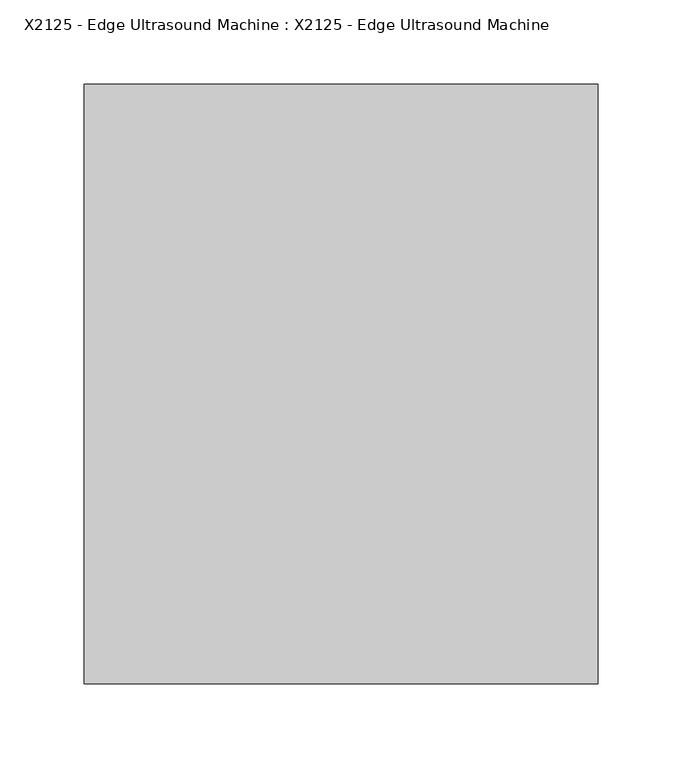
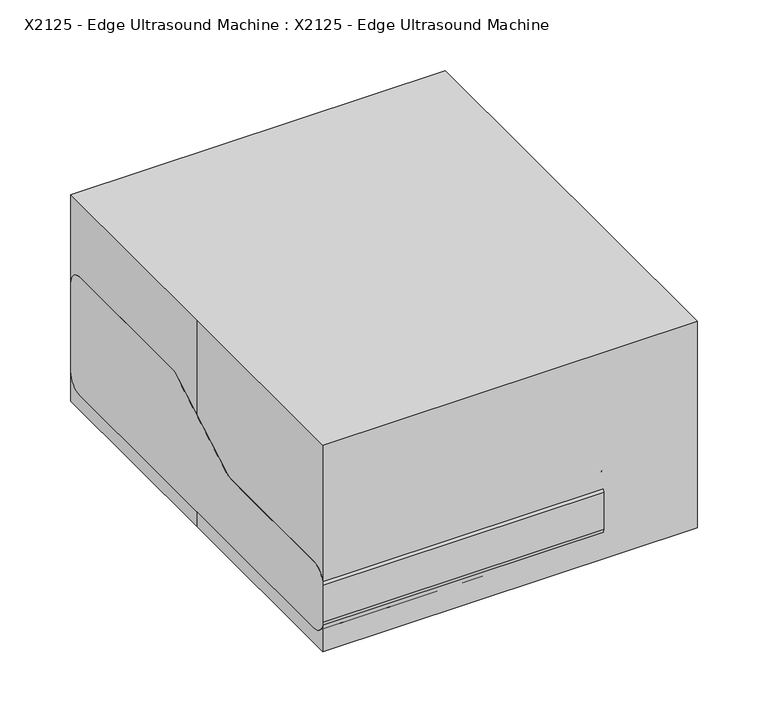
"""IFC4 building model written with IfcOpenShell, lengths in millimetres: proxy geometry, X2125 - Edge Ultrasound Machine : X2125 - Edge Ultrasound Machine."""

from ifc_helpers import new_model, si_unit, point, frame, frame_2d, origin, origin_with_axes, place, context, project, spatial, polyline, circle_curve, ellipse_curve, trimmed, segment, composite_curve, outline, extrude, source, transform, mapped, element, save
from ifc_brep_helpers import plane_surface, cylinder_surface, revolved_surface, advanced_brep


def x2125_edge_ultrasound_machine_x2125_edge_ultrasound_machine_25ff0b10(model_context):
    return source(origin(), model_context, "Body", "SolidModel", [
        advanced_brep(
        [(101.8838813, -17.8606241, 84.8400199), (108.2338813, -17.8606241, 84.8400199), (101.8838813, -129.7253561, 39.6437344), (108.2338813, -129.7253561, 39.6437344), (98.7088813, -138.5567823, 36.0756066), (98.7088813, -132.6691649, 38.4543585), (76.2, -132.6691649, 38.4543585), (76.2, -138.5567823, 36.0756066)],
        [
            (0, 1, circle_curve(frame((105.0588813, -17.8606241, 84.8400199), z_axis=(0.0, 0.9271838545667875, 0.3746065934159118), x_axis=(1.0, 0.0, 0.0)), 3.175)),
            (1, 0, circle_curve(frame((105.0588813, -17.8606241, 84.8400199), z_axis=(0.0, 0.9271838545667875, 0.3746065934159118), x_axis=(1.0, 0.0, 0.0)), 3.175)),
            (0, 2),
            (2, 3, circle_curve(frame((105.0588813, -129.7253561, 39.6437344), z_axis=(0.0, 0.9271838545667875, 0.3746065934159118), x_axis=(1.0, 0.0, 0.0)), 3.175)),
            (3, 1),
            (3, 2, circle_curve(frame((105.0588813, -129.7253561, 39.6437344), z_axis=(0.0, 0.9271838545667875, 0.3746065934159118), x_axis=(1.0, 0.0, 0.0)), 3.175)),
            (4, 3, circle_curve(frame((98.7088813, -129.7253561, 39.6437344), z_axis=(0.0, -0.3746065934159118, 0.9271838545667875), x_axis=(1.0, 0.0, 0.0)), 9.525)),
            (2, 5, circle_curve(frame((98.7088813, -129.7253561, 39.6437344), z_axis=(0.0, 0.3746065934159118, -0.9271838545667875), x_axis=(1.0, 0.0, 0.0)), 3.175)),
            (5, 4, circle_curve(frame((98.7088813, -135.6129736, 37.2649825), z_axis=(1.0, 0.0, 0.0), x_axis=(0.0, -0.9271838545667875, -0.3746065934159118)), 3.175)),
            (4, 5, circle_curve(frame((98.7088813, -135.6129736, 37.2649825), z_axis=(1.0, 0.0, 0.0), x_axis=(0.0, -0.9271838545667875, -0.3746065934159118)), 3.175)),
            (6, 7, circle_curve(frame((76.2, -135.6129736, 37.2649825), z_axis=(-1.0, 0.0, 0.0), x_axis=(0.0, -0.9271838545667875, -0.3746065934159118)), 3.175)),
            (7, 6, circle_curve(frame((76.2, -135.6129736, 37.2649825), z_axis=(-1.0, 0.0, 0.0), x_axis=(0.0, -0.9271838545667875, -0.3746065934159118)), 3.175)),
            (5, 6),
            (7, 4),
        ],
        [
            plane_surface(frame((105.0588813, 13.834401, 6.39208), z_axis=(0.0, 0.9271838545667875, 0.3746065934159118), x_axis=(0.0, -0.3746065934159118, 0.9271838545667875))),
            cylinder_surface(frame((105.0588813, -17.8606241, 84.8400199), z_axis=(0.0, 0.9271838545667875, 0.3746065934159118), x_axis=(1.0, 0.0, 0.0)), 3.175),
            revolved_surface(trimmed(ellipse_curve(frame((105.0588813, -129.7253561, 39.6437344), z_axis=(0.0, 0.9271838545667875, 0.3746065934159118), x_axis=(1.0, 0.0, 0.0)), 3.175, 3.175), [point((101.8838813, -129.7253561, 39.6437344))], [point((108.2338813, -129.7253561, 39.6437344))], True, "CARTESIAN"), (98.7088813, -98.0303311, -38.8042055), (0.0, 0.3746065934159118, -0.9271838545667875)),
            revolved_surface(trimmed(ellipse_curve(frame((105.0588813, -129.7253561, 39.6437344), z_axis=(0.0, 0.9271838545667875, 0.3746065934159118), x_axis=(1.0, 0.0, 0.0)), 3.175, 3.175), [point((108.2338813, -129.7253561, 39.6437344))], [point((101.8838813, -129.7253561, 39.6437344))], True, "CARTESIAN"), (98.7088813, -98.0303311, -38.8042055), (0.0, 0.3746065934159118, -0.9271838545667875)),
            plane_surface(frame((76.2, -103.9179485, -41.1829573), z_axis=(-1.0, 0.0, 0.0), x_axis=(0.0, -0.37460659341591174, 0.9271838545667875))),
            cylinder_surface(frame((98.7088813, -135.6129736, 37.2649825), z_axis=(1.0, 0.0, 0.0), x_axis=(0.0, -0.9271838545667875, -0.3746065934159118)), 3.175),
        ],
        [
            (0, [[1, 2]]),
            (1, [[-1, 3, 4, 5]]),
            (1, [[-2, -5, 6, -3]]),
            (2, [[7, -4, 8, 9]]),
            (3, [[-8, -6, -7, 10]]),
            (4, [[11, 12]]),
            (5, [[-9, 13, -12, 14]]),
            (5, [[-10, -14, -11, -13]]),
        ],
    ),
        extrude(outline(polyline([(-20.4707547, -114.130907), (-20.4707547, -126.830907), (-45.8707547, -126.830907), (-45.8707547, -114.130907), (-20.4707547, -114.130907)])), frame((0.0, 0.0, 69.85), z_axis=(0.0, 0.0, 1.0), x_axis=(1.0, 0.0, 0.0)), (0.0, 0.0, 1.0), 12.7),
        extrude(outline(polyline([(-20.4707547, -69.680907), (-20.4707547, -82.380907), (-45.8707547, -82.380907), (-45.8707547, -69.680907), (-20.4707547, -69.680907)])), frame((0.0, 0.0, 69.85), z_axis=(0.0, 0.0, 1.0), x_axis=(1.0, 0.0, 0.0)), (0.0, 0.0, 1.0), 12.7),
        extrude(outline(polyline([(-96.6707547, -114.130907), (-96.6707547, -126.830907), (-122.0707547, -126.830907), (-122.0707547, -114.130907), (-96.6707547, -114.130907)])), frame((0.0, 0.0, 69.85), z_axis=(0.0, 0.0, 1.0), x_axis=(1.0, 0.0, 0.0)), (0.0, 0.0, 1.0), 12.7),
        extrude(outline(polyline([(-96.6707547, -69.680907), (-96.6707547, -82.380907), (-122.0707547, -82.380907), (-122.0707547, -69.680907), (-96.6707547, -69.680907)])), frame((0.0, 0.0, 69.85), z_axis=(0.0, 0.0, 1.0), x_axis=(1.0, 0.0, 0.0)), (0.0, 0.0, 1.0), 12.7),
        extrude(outline(composite_curve([segment(trimmed(circle_curve(frame_2d((84.6088286, 105.0588813)), 12.7), [point((84.6088286, 92.3588813))], [point((84.6088286, 117.7588813))], False, "CARTESIAN"), True, "CONTINUOUS"), segment(trimmed(circle_curve(frame_2d((84.6088286, 105.0588813)), 12.7), [point((84.6088286, 117.7588813))], [point((84.6088286, 92.3588813))], False, "CARTESIAN"), True, "CONTINUOUS")], self_intersect=False)), frame((0.0, -19.05, 0.0), z_axis=(0.0, 1.0, 0.0), x_axis=(0.0, 0.0, 1.0)), (0.0, 0.0, 1.0), 152.4),
        advanced_brep(
        [(91.9806556, 148.2395174, 101.6), (117.3806556, 148.2395174, 101.6), (79.2806556, 148.2395174, 38.1), (130.0806556, 148.2395174, 38.1)],
        [
            (0, 1, circle_curve(frame((104.6806556, 148.2395174, 101.6), z_axis=(0.0, 0.0, 1.0), x_axis=(-1.0, 0.0, 0.0)), 12.7)),
            (1, 0, circle_curve(frame((104.6806556, 148.2395174, 101.6), z_axis=(0.0, 0.0, 1.0), x_axis=(1.0, 0.0, 0.0)), 12.7)),
            (2, 3, circle_curve(frame((104.6806556, 148.2395174, 38.1), z_axis=(0.0, 0.0, -1.0), x_axis=(1.0, 0.0, 0.0)), 25.4)),
            (3, 2, circle_curve(frame((104.6806556, 148.2395174, 38.1), z_axis=(0.0, 0.0, -1.0), x_axis=(-1.0, 0.0, 0.0)), 25.4)),
            (3, 1),
            (0, 2),
        ],
        [
            plane_surface(frame((104.6806556, 148.2395174, 101.6), z_axis=(0.0, 0.0, 1.0), x_axis=(0.0, -1.0, 0.0))),
            plane_surface(frame((104.6806556, 148.2395174, 38.1), z_axis=(0.0, 0.0, -1.0), x_axis=(0.0, -1.0, 0.0))),
            revolved_surface(polyline([(91.9806556, 148.2395174, 101.6), (79.2806556, 148.2395174, 38.099999999999994)]), (104.6806556, 148.2395174, 165.1), (0.0, 0.0, -1.0)),
            revolved_surface(polyline([(117.3806556, 148.2395174, 101.6), (130.0806556, 148.2395174, 38.099999999999994)]), (104.6806556, 148.2395174, 165.1), (0.0, 0.0, -1.0)),
        ],
        [
            (0, [[1, 2]]),
            (1, [[3, 4]]),
            (2, [[-4, 5, -1, 6]]),
            (3, [[-3, -6, -2, -5]]),
        ],
    ),
        extrude(outline(polyline([(132.6324165, 116.7469111), (132.6324165, 21.4969111), (76.2, 21.4969111), (76.2, 116.7469111), (132.6324165, 116.7469111)])), frame((0.0, 0.0, 50.8), z_axis=(0.0, 0.0, 1.0), x_axis=(1.0, 0.0, 0.0)), (0.0, 0.0, 1.0), 19.05),
        extrude(outline(composite_curve([segment(trimmed(circle_curve(frame_2d((46.4993157, -140.8766799)), 12.7), [point((33.7993157, -140.8766799))], [point((59.1993157, -140.8766799))], False, "CARTESIAN"), True, "CONTINUOUS"), segment(trimmed(circle_curve(frame_2d((46.4993157, -140.8766799)), 12.7), [point((59.1993157, -140.8766799))], [point((33.7993157, -140.8766799))], False, "CARTESIAN"), True, "CONTINUOUS")], self_intersect=False)), origin_with_axes(), (0.0, 0.0, 1.0), 12.7),
        extrude(outline(composite_curve([segment(trimmed(circle_curve(frame_2d((-118.6006843, -140.8766799)), 12.7), [point((-131.3006843, -140.8766799))], [point((-105.9006843, -140.8766799))], False, "CARTESIAN"), True, "CONTINUOUS"), segment(trimmed(circle_curve(frame_2d((-118.6006843, -140.8766799)), 12.7), [point((-105.9006843, -140.8766799))], [point((-131.3006843, -140.8766799))], False, "CARTESIAN"), True, "CONTINUOUS")], self_intersect=False)), origin_with_axes(), (0.0, 0.0, 1.0), 12.7),
        extrude(outline(composite_curve([segment(trimmed(circle_curve(frame_2d((46.4993157, 138.5233201)), 12.7), [point((33.7993157, 138.5233201))], [point((59.1993157, 138.5233201))], False, "CARTESIAN"), True, "CONTINUOUS"), segment(trimmed(circle_curve(frame_2d((46.4993157, 138.5233201)), 12.7), [point((59.1993157, 138.5233201))], [point((33.7993157, 138.5233201))], False, "CARTESIAN"), True, "CONTINUOUS")], self_intersect=False)), origin_with_axes(), (0.0, 0.0, 1.0), 12.7),
        extrude(outline(composite_curve([segment(trimmed(circle_curve(frame_2d((-118.6006843, 138.5233201)), 12.7), [point((-131.3006843, 138.5233201))], [point((-105.9006843, 138.5233201))], False, "CARTESIAN"), True, "CONTINUOUS"), segment(trimmed(circle_curve(frame_2d((-118.6006843, 138.5233201)), 12.7), [point((-105.9006843, 138.5233201))], [point((-131.3006843, 138.5233201))], False, "CARTESIAN"), True, "CONTINUOUS")], self_intersect=False)), origin_with_axes(), (0.0, 0.0, 1.0), 12.7),
        extrude(outline(composite_curve([segment(polyline([(177.8, 101.6), (177.8, 25.4)]), True, "CONTINUOUS"), segment(trimmed(circle_curve(frame_2d((165.1, 25.4)), 12.7), [point((177.8, 25.4))], [point((165.1, 12.7))], False, "CARTESIAN"), True, "CONTINUOUS"), segment(polyline([(165.1, 12.7), (-165.1, 12.7)]), True, "CONTINUOUS"), segment(trimmed(circle_curve(frame_2d((-165.1, 25.4)), 12.7), [point((-165.1, 12.7))], [point((-177.8, 25.4))], False, "CARTESIAN"), True, "CONTINUOUS"), segment(polyline([(-177.8, 25.4), (-177.8, 57.15)]), True, "CONTINUOUS"), segment(trimmed(circle_curve(frame_2d((-165.1, 57.15)), 12.7), [point((-177.8, 57.15))], [point((-165.1, 69.85))], False, "CARTESIAN"), True, "CONTINUOUS"), segment(polyline([(-165.1, 69.85), (-48.6426131, 69.85)]), True, "CONTINUOUS"), segment(trimmed(circle_curve(frame_2d((-48.6426131, 82.55)), 12.7), [point((-48.6426131, 69.85))], [point((-42.2926131, 71.5514774))], True, "CARTESIAN"), True, "CONTINUOUS"), segment(polyline([(-42.2926131, 71.5514774), (28.8029547, 112.5985226)]), True, "CONTINUOUS"), segment(trimmed(circle_curve(frame_2d((35.1529547, 101.6)), 12.7), [point((28.8029547, 112.5985226))], [point((35.1529547, 114.3))], False, "CARTESIAN"), True, "CONTINUOUS"), segment(polyline([(35.1529547, 114.3), (165.1, 114.3)]), True, "CONTINUOUS"), segment(trimmed(circle_curve(frame_2d((165.1, 101.6)), 12.7), [point((165.1, 114.3))], [point((177.8, 101.6))], False, "CARTESIAN"), True, "CONTINUOUS")], self_intersect=False)), frame((-152.4, 0.0, 0.0), z_axis=(1.0, 0.0, 0.0), x_axis=(0.0, 1.0, 0.0)), (0.0, 0.0, 1.0), 228.6),
        extrude(outline(polyline([(-152.4, 177.8), (152.4, 177.8), (152.4, -177.8), (-152.4, -177.8), (-152.4, 0.0), (-152.4, 177.8)])), origin_with_axes(), (0.0, 0.0, 1.0), 177.8),
    ])


if __name__ == "__main__":
    model = new_model("IFC4")
    model_context = context("Model", 3, world=origin())
    ifc_project = project(units=[si_unit("LENGTHUNIT", "METRE", prefix="MILLI")], contexts=[model_context])
    site = spatial("IfcSite", under=ifc_project)
    building = spatial("IfcBuilding", under=site)
    placement = place(None, origin())
    x2125_edge_ultrasound_machine_x2125_edge_ultrasound_machine_shape = x2125_edge_ultrasound_machine_x2125_edge_ultrasound_machine_25ff0b10(model_context)
    element("IfcBuildingElementProxy", 1, Name="X2125 - Edge Ultrasound Machine : X2125 - Edge Ultrasound Machine", ObjectType="X2125 - Edge Ultrasound Machine : X2125 - Edge Ultrasound Machine", at=placement, inside=building, context=model_context, shape_type="MappedRepresentation", body=[
        mapped(x2125_edge_ultrasound_machine_x2125_edge_ultrasound_machine_shape, transform((0.0, 0.0, 0.0), x_axis=(1.0, 0.0, 0.0), y_axis=(0.0, 1.0, 0.0), z_axis=(0.0, 0.0, 1.0))),
    ])
    save(model, "model.ifc")
